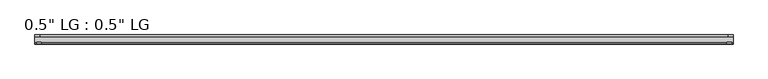
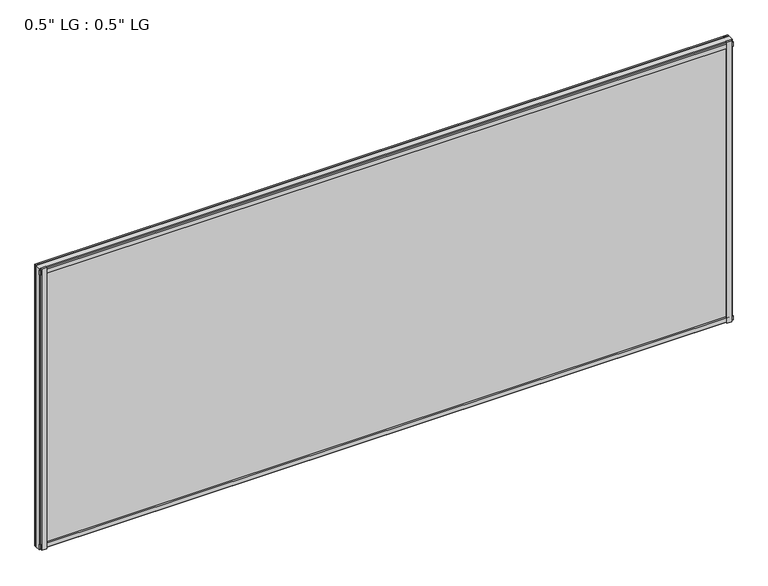
"""IFC4 building model written with IfcOpenShell, lengths in millimetres: plate geometry."""

from ifc_helpers import new_model, si_unit, frame, origin, origin_with_axes, place, context, project, spatial, polyline, outline, extrude, source, transform, mapped, element, save


def plate_890f461c(model_context):
    return source(origin(), model_context, "Body", "SweptSolid", [
        extrude(outline(polyline([(867.5191406, 33.3271813), (855.381461, 33.3271813), (855.381461, 38.0007813), (867.5191406, 38.0007813), (867.5191406, 33.3271813)])), origin_with_axes(), (0.0, 0.0, 1.0), 744.6980689),
        extrude(outline(polyline([(863.9877869, 15.5217813), (851.9753631, 15.5217813), (851.9753631, 19.7127813), (863.9877869, 19.7127813), (863.9877869, 15.5217813)])), origin_with_axes(), (0.0, 0.0, 1.0), 744.6980689),
        extrude(outline(polyline([(-855.2285626, 38.0007812), (-855.2285626, 33.3271813), (-867.5191406, 33.3271813), (-867.5191406, 38.0007812), (-855.2285626, 38.0007812)])), origin_with_axes(), (0.0, 0.0, 1.0), 744.6980689),
        extrude(outline(polyline([(-851.2693247, 19.7127813), (-851.2693247, 15.5217812), (-863.5599027, 15.5217812), (-863.5599027, 19.7127813), (-851.2693247, 19.7127813)])), origin_with_axes(), (0.0, 0.0, 1.0), 744.6980689),
        extrude(outline(polyline([(867.5191406, 33.3271813), (-867.5191406, 33.3271812), (-867.5191406, 38.0007812), (867.5191406, 38.0007813), (867.5191406, 33.3271813)])), origin_with_axes(), (0.0, 0.0, 1.0), 11.1693096),
        extrude(outline(polyline([(867.5191406, 15.3590708), (-867.5191406, 15.3590708), (-867.5191406, 20.1364307), (867.5191406, 20.1364307), (867.5191406, 15.3590708)])), frame((0.0, 0.0, 3.848913), z_axis=(0.0, 0.0, 1.0), x_axis=(1.0, 0.0, 0.0)), (0.0, 0.0, 1.0), 11.1693096),
        extrude(outline(polyline([(867.5191406, 33.3271813), (-867.5191406, 33.3271812), (-867.5191406, 38.0007812), (867.5191406, 38.0007813), (867.5191406, 33.3271813)])), frame((0.0, 0.0, 733.516963), z_axis=(0.0, 0.0, 1.0), x_axis=(1.0, 0.0, 0.0)), (0.0, 0.0, 1.0), 11.1811058),
        extrude(outline(polyline([(867.5191406, 15.5217813), (-867.5191406, 15.5217813), (-867.5191406, 19.7127812), (867.5191406, 19.7127813), (867.5191406, 15.5217813)])), frame((0.0, 0.0, 728.9578163), z_axis=(0.0, 0.0, 1.0), x_axis=(1.0, 0.0, 0.0)), (0.0, 0.0, 1.0), 11.1811058),
        extrude(outline(polyline([(867.5191406, 33.3271812), (867.5191406, 19.7127812), (-867.5191406, 19.7127812), (-867.5191406, 33.3271812), (867.5191406, 33.3271812)])), origin_with_axes(), (0.0, 0.0, 1.0), 744.6980689),
    ])


if __name__ == "__main__":
    model = new_model("IFC4")
    model_context = context("Model", 3, world=origin())
    ifc_project = project(units=[si_unit("LENGTHUNIT", "METRE", prefix="MILLI")], contexts=[model_context])
    site = spatial("IfcSite", under=ifc_project)
    building = spatial("IfcBuilding", under=site)
    placement = place(None, origin())
    plate_shape = plate_890f461c(model_context)
    element("IfcPlate", 1, ObjectType="0.5\" LG : 0.5\" LG", at=placement, inside=building, context=model_context, shape_type="MappedRepresentation", body=[
        mapped(plate_shape, transform((0.0, 0.0, 0.0), x_axis=(1.0, 0.0, 0.0), y_axis=(0.0, 1.0, 0.0), z_axis=(0.0, 0.0, 1.0))),
    ])
    save(model, "model.ifc")
